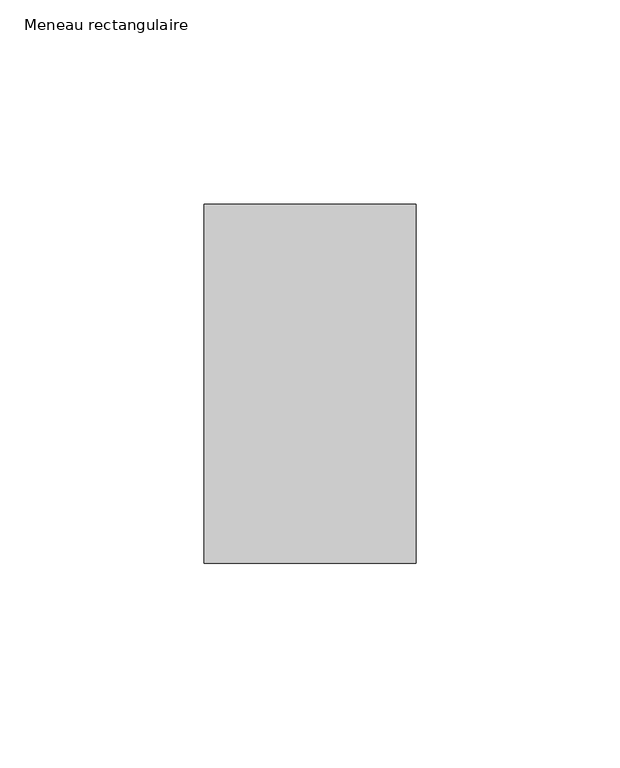
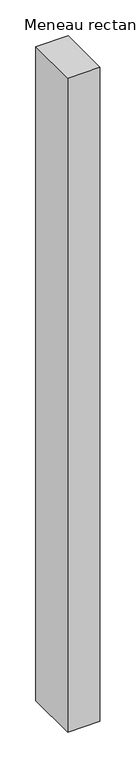
"""IFC4 building model written with IfcOpenShell, lengths in millimetres: member geometry, Meneau rectangulaire."""

from ifc_helpers import new_model, si_unit, frame, origin, place, context, project, spatial, polyline, outline, extrude, source, transform, mapped, element, save


def meneau_rectangulaire_75131434(model_context):
    return source(origin(), model_context, "Body", "SweptSolid", [
        extrude(outline(polyline([(-52.0, 44.0), (0.0, 44.0), (0.0, -44.0), (-52.0, -44.0), (-52.0, 44.0)])), frame((0.0, 0.0, -1109.8749998), z_axis=(0.0, 0.0, 1.0), x_axis=(1.0, 0.0, 0.0)), (0.0, 0.0, 1.0), 1109.8749998),
    ])


if __name__ == "__main__":
    model = new_model("IFC4")
    model_context = context("Model", 3, world=origin())
    ifc_project = project(units=[si_unit("LENGTHUNIT", "METRE", prefix="MILLI")], contexts=[model_context])
    site = spatial("IfcSite", under=ifc_project)
    building = spatial("IfcBuilding", under=site)
    placement = place(None, origin())
    meneau_rectangulaire_shape = meneau_rectangulaire_75131434(model_context)
    element("IfcMember", 1, ObjectType="Meneau rectangulaire", at=placement, inside=building, context=model_context, shape_type="MappedRepresentation", body=[
        mapped(meneau_rectangulaire_shape, transform((0.0, 0.0, 0.0), x_axis=(1.0, 0.0, 0.0), y_axis=(0.0, 1.0, 0.0), z_axis=(0.0, 0.0, 1.0))),
    ])
    save(model, "model.ifc")
